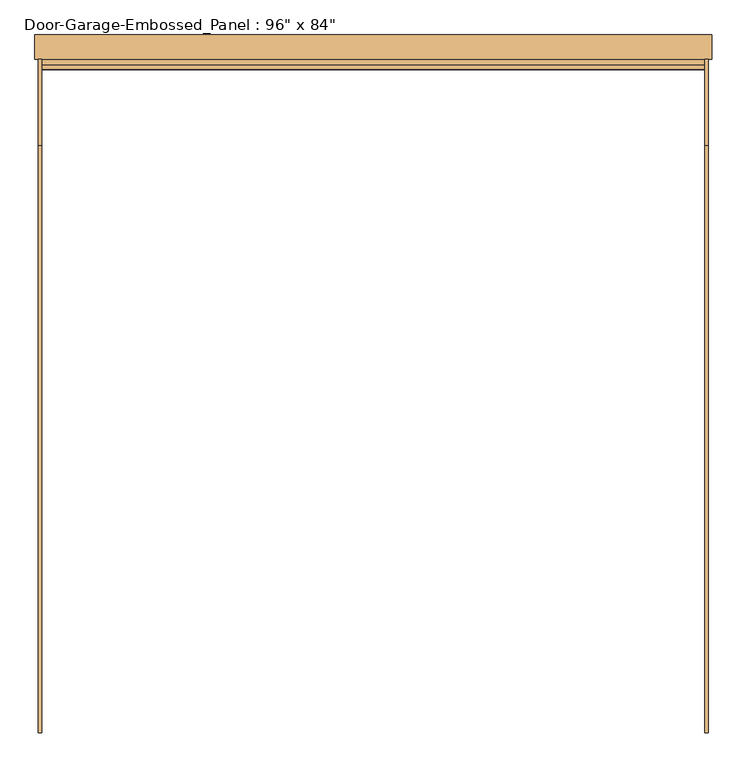
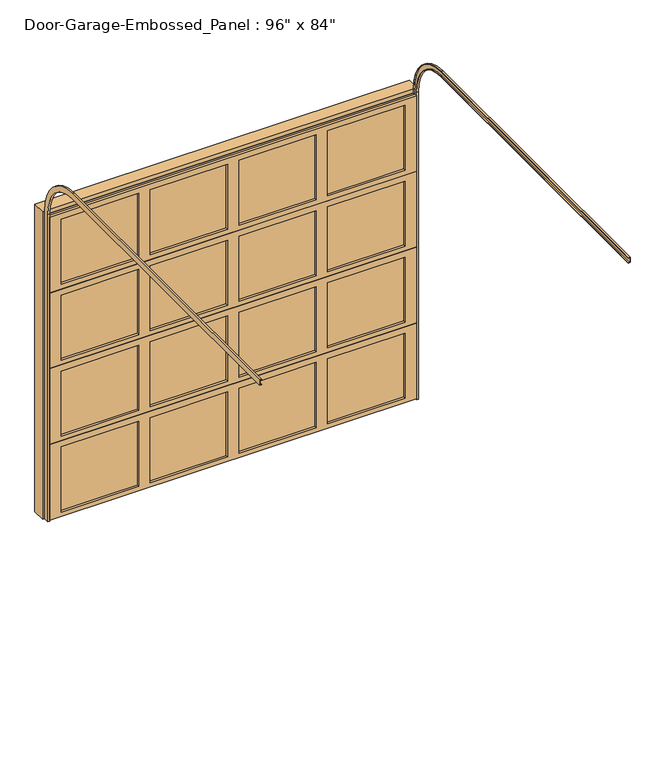
"""IFC4 building model written with IfcOpenShell, lengths in millimetres: door geometry."""

from ifc_helpers import new_model, si_unit, frame, origin, place, context, project, spatial, polyline, circle_curve, outline, extrude, faceted_brep, source, transform, mapped, element, save
from ifc_brep_helpers import plane_surface, cylinder_surface, revolved_surface, advanced_brep


def door_fcf72074(model_context):
    return source(origin(), model_context, "Body", "SolidModel", [
        extrude(outline(polyline([(552.45, -63.5), (552.45, -69.85), (38.1, -69.85), (38.1, -63.5), (552.45, -63.5)])), frame((0.0, 0.0, 1638.3), z_axis=(0.0, 0.0, 1.0), x_axis=(1.0, 0.0, 0.0)), (0.0, 0.0, 1.0), 457.2),
        extrude(outline(polyline([(-38.1, -63.5), (-38.1, -69.85), (-552.45, -69.85), (-552.45, -63.5), (-38.1, -63.5)])), frame((0.0, 0.0, 1638.3), z_axis=(0.0, 0.0, 1.0), x_axis=(1.0, 0.0, 0.0)), (0.0, 0.0, 1.0), 457.2),
        extrude(outline(polyline([(1143.0, -63.5), (1143.0, -69.85), (628.65, -69.85), (628.65, -63.5), (1143.0, -63.5)])), frame((0.0, 0.0, 1638.3), z_axis=(0.0, 0.0, 1.0), x_axis=(1.0, 0.0, 0.0)), (0.0, 0.0, 1.0), 457.2),
        extrude(outline(polyline([(-628.65, -63.5), (-628.65, -69.85), (-1143.0, -69.85), (-1143.0, -63.5), (-628.65, -63.5)])), frame((0.0, 0.0, 1638.3), z_axis=(0.0, 0.0, 1.0), x_axis=(1.0, 0.0, 0.0)), (0.0, 0.0, 1.0), 457.2),
        faceted_brep([(1219.2, -69.85, 2136.775), (1219.2, -85.725, 2136.775), (1219.2, -85.725, 1606.55), (1219.2, -63.5, 1606.55), (1219.2, -63.5, 1600.2), (1219.2, -47.625, 1600.2), (1219.2, -47.625, 2130.425), (1219.2, -69.85, 2130.425), (-1219.2, -85.725, 2136.775), (-1219.2, -69.85, 2136.775), (-1219.2, -69.85, 2130.425), (-1219.2, -47.625, 2130.425), (-1219.2, -47.625, 1600.2), (-1219.2, -63.5, 1600.2), (-1219.2, -63.5, 1606.55), (-1219.2, -85.725, 1606.55), (628.65, -85.725, 2095.5), (1143.0, -85.725, 2095.5), (1143.0, -85.725, 1638.3), (628.65, -85.725, 1638.3), (-552.45, -85.725, 2095.5), (-38.1, -85.725, 2095.5), (-38.1, -85.725, 1638.3), (-552.45, -85.725, 1638.3), (38.1, -85.725, 2095.5), (552.45, -85.725, 2095.5), (552.45, -85.725, 1638.3), (38.1, -85.725, 1638.3), (-1143.0, -85.725, 2095.5), (-628.65, -85.725, 2095.5), (-628.65, -85.725, 1638.3), (-1143.0, -85.725, 1638.3), (1143.0, -47.625, 2095.5), (628.65, -47.625, 2095.5), (628.65, -47.625, 1638.3), (1143.0, -47.625, 1638.3), (-38.1, -47.625, 2095.5), (-552.45, -47.625, 2095.5), (-552.45, -47.625, 1638.3), (-38.1, -47.625, 1638.3), (552.45, -47.625, 2095.5), (38.1, -47.625, 2095.5), (38.1, -47.625, 1638.3), (552.45, -47.625, 1638.3), (-628.65, -47.625, 2095.5), (-1143.0, -47.625, 2095.5), (-1143.0, -47.625, 1638.3), (-628.65, -47.625, 1638.3)], [[[0, 1, 2, 3, 4, 5, 6, 7]], [[8, 9, 10, 11, 12, 13, 14, 15]], [[1, 0, 9, 8]], [[2, 1, 8, 15], [16, 17, 18, 19], [20, 21, 22, 23], [24, 25, 26, 27], [28, 29, 30, 31]], [[3, 2, 15, 14]], [[4, 3, 14, 13]], [[5, 4, 13, 12]], [[6, 5, 12, 11], [32, 33, 34, 35], [36, 37, 38, 39], [40, 41, 42, 43], [44, 45, 46, 47]], [[7, 6, 11, 10]], [[0, 7, 10, 9]], [[16, 33, 32, 17]], [[33, 16, 19, 34]], [[34, 19, 18, 35]], [[17, 32, 35, 18]], [[20, 37, 36, 21]], [[37, 20, 23, 38]], [[38, 23, 22, 39]], [[21, 36, 39, 22]], [[24, 41, 40, 25]], [[41, 24, 27, 42]], [[42, 27, 26, 43]], [[25, 40, 43, 26]], [[28, 45, 44, 29]], [[45, 28, 31, 46]], [[46, 31, 30, 47]], [[29, 44, 47, 30]]]),
        extrude(outline(polyline([(552.45, -63.5), (552.45, -69.85), (38.1, -69.85), (38.1, -63.5), (552.45, -63.5)])), frame((0.0, 0.0, 1104.9), z_axis=(0.0, 0.0, 1.0), x_axis=(1.0, 0.0, 0.0)), (0.0, 0.0, 1.0), 457.2),
        extrude(outline(polyline([(-38.1, -63.5), (-38.1, -69.85), (-552.45, -69.85), (-552.45, -63.5), (-38.1, -63.5)])), frame((0.0, 0.0, 1104.9), z_axis=(0.0, 0.0, 1.0), x_axis=(1.0, 0.0, 0.0)), (0.0, 0.0, 1.0), 457.2),
        extrude(outline(polyline([(1143.0, -63.5), (1143.0, -69.85), (628.65, -69.85), (628.65, -63.5), (1143.0, -63.5)])), frame((0.0, 0.0, 1104.9), z_axis=(0.0, 0.0, 1.0), x_axis=(1.0, 0.0, 0.0)), (0.0, 0.0, 1.0), 457.2),
        extrude(outline(polyline([(-628.65, -63.5), (-628.65, -69.85), (-1143.0, -69.85), (-1143.0, -63.5), (-628.65, -63.5)])), frame((0.0, 0.0, 1104.9), z_axis=(0.0, 0.0, 1.0), x_axis=(1.0, 0.0, 0.0)), (0.0, 0.0, 1.0), 457.2),
        faceted_brep([(1219.2, -69.85, 1603.375), (1219.2, -85.725, 1603.375), (1219.2, -85.725, 1073.15), (1219.2, -63.5, 1073.15), (1219.2, -63.5, 1066.8), (1219.2, -47.625, 1066.8), (1219.2, -47.625, 1597.025), (1219.2, -69.85, 1597.025), (-1219.2, -85.725, 1603.375), (-1219.2, -69.85, 1603.375), (-1219.2, -69.85, 1597.025), (-1219.2, -47.625, 1597.025), (-1219.2, -47.625, 1066.8), (-1219.2, -63.5, 1066.8), (-1219.2, -63.5, 1073.15), (-1219.2, -85.725, 1073.15), (628.65, -85.725, 1562.1), (1143.0, -85.725, 1562.1), (1143.0, -85.725, 1104.9), (628.65, -85.725, 1104.9), (-552.45, -85.725, 1562.1), (-38.1, -85.725, 1562.1), (-38.1, -85.725, 1104.9), (-552.45, -85.725, 1104.9), (38.1, -85.725, 1562.1), (552.45, -85.725, 1562.1), (552.45, -85.725, 1104.9), (38.1, -85.725, 1104.9), (-1143.0, -85.725, 1562.1), (-628.65, -85.725, 1562.1), (-628.65, -85.725, 1104.9), (-1143.0, -85.725, 1104.9), (1143.0, -47.625, 1562.1), (628.65, -47.625, 1562.1), (628.65, -47.625, 1104.9), (1143.0, -47.625, 1104.9), (-38.1, -47.625, 1562.1), (-552.45, -47.625, 1562.1), (-552.45, -47.625, 1104.9), (-38.1, -47.625, 1104.9), (552.45, -47.625, 1562.1), (38.1, -47.625, 1562.1), (38.1, -47.625, 1104.9), (552.45, -47.625, 1104.9), (-628.65, -47.625, 1562.1), (-1143.0, -47.625, 1562.1), (-1143.0, -47.625, 1104.9), (-628.65, -47.625, 1104.9)], [[[0, 1, 2, 3, 4, 5, 6, 7]], [[8, 9, 10, 11, 12, 13, 14, 15]], [[1, 0, 9, 8]], [[2, 1, 8, 15], [16, 17, 18, 19], [20, 21, 22, 23], [24, 25, 26, 27], [28, 29, 30, 31]], [[3, 2, 15, 14]], [[4, 3, 14, 13]], [[5, 4, 13, 12]], [[6, 5, 12, 11], [32, 33, 34, 35], [36, 37, 38, 39], [40, 41, 42, 43], [44, 45, 46, 47]], [[7, 6, 11, 10]], [[0, 7, 10, 9]], [[16, 33, 32, 17]], [[33, 16, 19, 34]], [[34, 19, 18, 35]], [[17, 32, 35, 18]], [[20, 37, 36, 21]], [[37, 20, 23, 38]], [[38, 23, 22, 39]], [[21, 36, 39, 22]], [[24, 41, 40, 25]], [[41, 24, 27, 42]], [[42, 27, 26, 43]], [[25, 40, 43, 26]], [[28, 45, 44, 29]], [[45, 28, 31, 46]], [[46, 31, 30, 47]], [[29, 44, 47, 30]]]),
        extrude(outline(polyline([(552.45, -63.5), (552.45, -69.85), (38.1, -69.85), (38.1, -63.5), (552.45, -63.5)])), frame((0.0, 0.0, 571.5), z_axis=(0.0, 0.0, 1.0), x_axis=(1.0, 0.0, 0.0)), (0.0, 0.0, 1.0), 457.2),
        extrude(outline(polyline([(-38.1, -63.5), (-38.1, -69.85), (-552.45, -69.85), (-552.45, -63.5), (-38.1, -63.5)])), frame((0.0, 0.0, 571.5), z_axis=(0.0, 0.0, 1.0), x_axis=(1.0, 0.0, 0.0)), (0.0, 0.0, 1.0), 457.2),
        extrude(outline(polyline([(1143.0, -63.5), (1143.0, -69.85), (628.65, -69.85), (628.65, -63.5), (1143.0, -63.5)])), frame((0.0, 0.0, 571.5), z_axis=(0.0, 0.0, 1.0), x_axis=(1.0, 0.0, 0.0)), (0.0, 0.0, 1.0), 457.2),
        extrude(outline(polyline([(-628.65, -63.5), (-628.65, -69.85), (-1143.0, -69.85), (-1143.0, -63.5), (-628.65, -63.5)])), frame((0.0, 0.0, 571.5), z_axis=(0.0, 0.0, 1.0), x_axis=(1.0, 0.0, 0.0)), (0.0, 0.0, 1.0), 457.2),
        faceted_brep([(1219.2, -69.85, 1069.975), (1219.2, -85.725, 1069.975), (1219.2, -85.725, 539.75), (1219.2, -63.5, 539.75), (1219.2, -63.5, 533.4), (1219.2, -47.625, 533.4), (1219.2, -47.625, 1063.625), (1219.2, -69.85, 1063.625), (-1219.2, -85.725, 1069.975), (-1219.2, -69.85, 1069.975), (-1219.2, -69.85, 1063.625), (-1219.2, -47.625, 1063.625), (-1219.2, -47.625, 533.4), (-1219.2, -63.5, 533.4), (-1219.2, -63.5, 539.75), (-1219.2, -85.725, 539.75), (628.65, -85.725, 1028.7), (1143.0, -85.725, 1028.7), (1143.0, -85.725, 571.5), (628.65, -85.725, 571.5), (-552.45, -85.725, 1028.7), (-38.1, -85.725, 1028.7), (-38.1, -85.725, 571.5), (-552.45, -85.725, 571.5), (38.1, -85.725, 1028.7), (552.45, -85.725, 1028.7), (552.45, -85.725, 571.5), (38.1, -85.725, 571.5), (-1143.0, -85.725, 1028.7), (-628.65, -85.725, 1028.7), (-628.65, -85.725, 571.5), (-1143.0, -85.725, 571.5), (1143.0, -47.625, 1028.7), (628.65, -47.625, 1028.7), (628.65, -47.625, 571.5), (1143.0, -47.625, 571.5), (-38.1, -47.625, 1028.7), (-552.45, -47.625, 1028.7), (-552.45, -47.625, 571.5), (-38.1, -47.625, 571.5), (552.45, -47.625, 1028.7), (38.1, -47.625, 1028.7), (38.1, -47.625, 571.5), (552.45, -47.625, 571.5), (-628.65, -47.625, 1028.7), (-1143.0, -47.625, 1028.7), (-1143.0, -47.625, 571.5), (-628.65, -47.625, 571.5)], [[[0, 1, 2, 3, 4, 5, 6, 7]], [[8, 9, 10, 11, 12, 13, 14, 15]], [[1, 0, 9, 8]], [[2, 1, 8, 15], [16, 17, 18, 19], [20, 21, 22, 23], [24, 25, 26, 27], [28, 29, 30, 31]], [[3, 2, 15, 14]], [[4, 3, 14, 13]], [[5, 4, 13, 12]], [[6, 5, 12, 11], [32, 33, 34, 35], [36, 37, 38, 39], [40, 41, 42, 43], [44, 45, 46, 47]], [[7, 6, 11, 10]], [[0, 7, 10, 9]], [[16, 33, 32, 17]], [[33, 16, 19, 34]], [[34, 19, 18, 35]], [[17, 32, 35, 18]], [[20, 37, 36, 21]], [[37, 20, 23, 38]], [[38, 23, 22, 39]], [[21, 36, 39, 22]], [[24, 41, 40, 25]], [[41, 24, 27, 42]], [[42, 27, 26, 43]], [[25, 40, 43, 26]], [[28, 45, 44, 29]], [[45, 28, 31, 46]], [[46, 31, 30, 47]], [[29, 44, 47, 30]]]),
        extrude(outline(polyline([(552.45, -63.5), (552.45, -69.85), (38.1, -69.85), (38.1, -63.5), (552.45, -63.5)])), frame((0.0, 0.0, 38.1), z_axis=(0.0, 0.0, 1.0), x_axis=(1.0, 0.0, 0.0)), (0.0, 0.0, 1.0), 457.2),
        extrude(outline(polyline([(-38.1, -63.5), (-38.1, -69.85), (-552.45, -69.85), (-552.45, -63.5), (-38.1, -63.5)])), frame((0.0, 0.0, 38.1), z_axis=(0.0, 0.0, 1.0), x_axis=(1.0, 0.0, 0.0)), (0.0, 0.0, 1.0), 457.2),
        extrude(outline(polyline([(1143.0, -63.5), (1143.0, -69.85), (628.65, -69.85), (628.65, -63.5), (1143.0, -63.5)])), frame((0.0, 0.0, 38.1), z_axis=(0.0, 0.0, 1.0), x_axis=(1.0, 0.0, 0.0)), (0.0, 0.0, 1.0), 457.2),
        extrude(outline(polyline([(-628.65, -63.5), (-628.65, -69.85), (-1143.0, -69.85), (-1143.0, -63.5), (-628.65, -63.5)])), frame((0.0, 0.0, 38.1), z_axis=(0.0, 0.0, 1.0), x_axis=(1.0, 0.0, 0.0)), (0.0, 0.0, 1.0), 457.2),
        faceted_brep([(1219.2, -69.85, 536.575), (1219.2, -85.725, 536.575), (1219.2, -85.725, 6.35), (1219.2, -63.5, 6.35), (1219.2, -63.5, 0.0), (1219.2, -47.625, 0.0), (1219.2, -47.625, 530.225), (1219.2, -69.85, 530.225), (-1219.2, -85.725, 536.575), (-1219.2, -69.85, 536.575), (-1219.2, -69.85, 530.225), (-1219.2, -47.625, 530.225), (-1219.2, -47.625, 0.0), (-1219.2, -63.5, 0.0), (-1219.2, -63.5, 6.35), (-1219.2, -85.725, 6.35), (628.65, -85.725, 495.3), (1143.0, -85.725, 495.3), (1143.0, -85.725, 38.1), (628.65, -85.725, 38.1), (-552.45, -85.725, 495.3), (-38.1, -85.725, 495.3), (-38.1, -85.725, 38.1), (-552.45, -85.725, 38.1), (38.1, -85.725, 495.3), (552.45, -85.725, 495.3), (552.45, -85.725, 38.1), (38.1, -85.725, 38.1), (-1143.0, -85.725, 495.3), (-628.65, -85.725, 495.3), (-628.65, -85.725, 38.1), (-1143.0, -85.725, 38.1), (1143.0, -47.625, 495.3), (628.65, -47.625, 495.3), (628.65, -47.625, 38.1), (1143.0, -47.625, 38.1), (-38.1, -47.625, 495.3), (-552.45, -47.625, 495.3), (-552.45, -47.625, 38.1), (-38.1, -47.625, 38.1), (552.45, -47.625, 495.3), (38.1, -47.625, 495.3), (38.1, -47.625, 38.1), (552.45, -47.625, 38.1), (-628.65, -47.625, 495.3), (-1143.0, -47.625, 495.3), (-1143.0, -47.625, 38.1), (-628.65, -47.625, 38.1)], [[[0, 1, 2, 3, 4, 5, 6, 7]], [[8, 9, 10, 11, 12, 13, 14, 15]], [[1, 0, 9, 8]], [[2, 1, 8, 15], [16, 17, 18, 19], [20, 21, 22, 23], [24, 25, 26, 27], [28, 29, 30, 31]], [[3, 2, 15, 14]], [[4, 3, 14, 13]], [[5, 4, 13, 12]], [[6, 5, 12, 11], [32, 33, 34, 35], [36, 37, 38, 39], [40, 41, 42, 43], [44, 45, 46, 47]], [[7, 6, 11, 10]], [[0, 7, 10, 9]], [[16, 33, 32, 17]], [[33, 16, 19, 34]], [[34, 19, 18, 35]], [[17, 32, 35, 18]], [[20, 37, 36, 21]], [[37, 20, 23, 38]], [[38, 23, 22, 39]], [[21, 36, 39, 22]], [[24, 41, 40, 25]], [[41, 24, 27, 42]], [[42, 27, 26, 43]], [[25, 40, 43, 26]], [[28, 45, 44, 29]], [[45, 28, 31, 46]], [[46, 31, 30, 47]], [[29, 44, 47, 30]]]),
        advanced_brep(
        [(1231.9, -85.725, 0.0), (1219.2, -85.725, 0.0), (1219.2, -82.55, 0.0), (1228.725, -82.55, 0.0), (1228.725, -50.8, 0.0), (1219.2, -50.8, 0.0), (1219.2, -47.625, 0.0), (1231.9, -47.625, 0.0), (1231.9, -85.725, 2159.0), (1219.2, -85.725, 2159.0), (1219.2, -365.125, 2438.4), (1219.2, -2524.125, 2438.4), (1219.2, -2524.125, 2441.575), (1219.2, -365.125, 2441.575), (1219.2, -82.55, 2159.0), (1228.725, -82.55, 2159.0), (1228.725, -365.125, 2441.575), (1228.725, -2524.125, 2441.575), (1228.725, -2524.125, 2473.325), (1228.725, -365.125, 2473.325), (1228.725, -50.8, 2159.0), (1219.2, -50.8, 2159.0), (1219.2, -365.125, 2473.325), (1219.2, -2524.125, 2473.325), (1219.2, -2524.125, 2476.5), (1219.2, -365.125, 2476.5), (1219.2, -47.625, 2159.0), (1231.9, -47.625, 2159.0), (1231.9, -365.125, 2476.5), (1231.9, -2524.125, 2476.5), (1231.9, -2524.125, 2438.4), (1231.9, -365.125, 2438.4)],
        [
            (0, 1),
            (1, 2),
            (2, 3),
            (3, 4),
            (4, 5),
            (5, 6),
            (6, 7),
            (7, 0),
            (0, 8),
            (8, 9),
            (9, 1),
            (9, 10, circle_curve(frame((1219.2, -365.125, 2159.0), z_axis=(1.0, 0.0, 0.0), x_axis=(0.0, 1.0, 0.0)), 279.4)),
            (10, 11),
            (11, 12),
            (12, 13),
            (13, 14, circle_curve(frame((1219.2, -365.125, 2159.0), z_axis=(-1.0, 0.0, 0.0), x_axis=(0.0, 1.0, 0.0)), 282.575)),
            (14, 2),
            (14, 15),
            (15, 3),
            (15, 16, circle_curve(frame((1228.725, -365.125, 2159.0), z_axis=(1.0, 0.0, 0.0), x_axis=(0.0, 1.0, 0.0)), 282.575)),
            (16, 17),
            (17, 18),
            (18, 19),
            (19, 20, circle_curve(frame((1228.725, -365.125, 2159.0), z_axis=(-1.0, 0.0, 0.0), x_axis=(0.0, 1.0, 0.0)), 314.325)),
            (20, 4),
            (20, 21),
            (21, 5),
            (21, 22, circle_curve(frame((1219.2, -365.125, 2159.0), z_axis=(1.0, 0.0, 0.0), x_axis=(0.0, 1.0, 0.0)), 314.325)),
            (22, 23),
            (23, 24),
            (24, 25),
            (25, 26, circle_curve(frame((1219.2, -365.125, 2159.0), z_axis=(-1.0, 0.0, 0.0), x_axis=(0.0, 1.0, 0.0)), 317.5)),
            (26, 6),
            (26, 27),
            (27, 7),
            (27, 28, circle_curve(frame((1231.9, -365.125, 2159.0), z_axis=(1.0, 0.0, 0.0), x_axis=(0.0, 1.0, 0.0)), 317.5)),
            (28, 29),
            (29, 30),
            (30, 31),
            (31, 8, circle_curve(frame((1231.9, -365.125, 2159.0), z_axis=(-1.0, 0.0, 0.0), x_axis=(0.0, 1.0, 0.0)), 279.4)),
            (31, 10),
            (13, 16),
            (19, 22),
            (25, 28),
            (29, 24),
            (23, 18),
            (17, 12),
            (11, 30),
        ],
        [
            plane_surface(frame((0.0, -85.725, 0.0), z_axis=(0.0, 0.0, -1.0), x_axis=(1.0, 0.0, 0.0))),
            plane_surface(frame((1231.9, -85.725, 0.0), z_axis=(0.0, -1.0, 0.0), x_axis=(0.0, 0.0, 1.0))),
            plane_surface(frame((1219.2, -85.725, 0.0), z_axis=(-1.0, 0.0, 0.0), x_axis=(0.0, 0.0, 1.0))),
            plane_surface(frame((1219.2, -82.55, 0.0), z_axis=(0.0, 1.0, 0.0), x_axis=(0.0, 0.0, 1.0))),
            plane_surface(frame((1228.725, -82.55, 0.0), z_axis=(-1.0, 0.0, 0.0), x_axis=(0.0, 0.0, 1.0))),
            plane_surface(frame((1228.725, -50.8, 0.0), z_axis=(0.0, -1.0, 0.0), x_axis=(0.0, 0.0, 1.0))),
            plane_surface(frame((1219.2, -50.8, 0.0), z_axis=(-1.0, 0.0, 0.0), x_axis=(0.0, 0.0, 1.0))),
            plane_surface(frame((1219.2, -47.625, 0.0), z_axis=(0.0, 1.0, 0.0), x_axis=(0.0, 0.0, 1.0))),
            plane_surface(frame((1231.9, -47.625, 0.0), z_axis=(1.0, 0.0, 0.0), x_axis=(0.0, 0.0, 1.0))),
            revolved_surface(polyline([(1231.9, -85.72500000000002, 2159.0), (1219.2, -85.72500000000002, 2159.0)]), (0.0, -365.125, 2159.0), (1.0, 0.0, 0.0)),
            cylinder_surface(frame((0.0, -365.125, 2159.0), z_axis=(1.0, 0.0, 0.0), x_axis=(0.0, 1.0, 0.0)), 282.575),
            revolved_surface(polyline([(1228.725, -50.80000000000001, 2159.0), (1219.2, -50.80000000000001, 2159.0)]), (0.0, -365.125, 2159.0), (1.0, 0.0, 0.0)),
            cylinder_surface(frame((0.0, -365.125, 2159.0), z_axis=(1.0, 0.0, 0.0), x_axis=(0.0, 1.0, 0.0)), 317.5),
            plane_surface(frame((0.0, -2524.125, 2438.4), z_axis=(0.0, -1.0, 0.0), x_axis=(1.0, 0.0, 0.0))),
            plane_surface(frame((1231.9, -365.125, 2438.4), z_axis=(0.0, 0.0, -1.0), x_axis=(0.0, -1.0, 0.0))),
            plane_surface(frame((1219.2, -365.125, 2441.575), z_axis=(0.0, 0.0, 1.0), x_axis=(0.0, -1.0, 0.0))),
            plane_surface(frame((1228.725, -365.125, 2473.325), z_axis=(0.0, 0.0, -1.0), x_axis=(0.0, -1.0, 0.0))),
            plane_surface(frame((1219.2, -365.125, 2476.5), z_axis=(0.0, 0.0, 1.0), x_axis=(0.0, -1.0, 0.0))),
        ],
        [
            (0, [[1, 2, 3, 4, 5, 6, 7, 8]]),
            (1, [[-1, 9, 10, 11]]),
            (2, [[-2, -11, 12, 13, 14, 15, 16, 17]]),
            (3, [[-3, -17, 18, 19]]),
            (4, [[-4, -19, 20, 21, 22, 23, 24, 25]]),
            (5, [[-5, -25, 26, 27]]),
            (6, [[-6, -27, 28, 29, 30, 31, 32, 33]]),
            (7, [[-7, -33, 34, 35]]),
            (8, [[-8, -35, 36, 37, 38, 39, 40, -9]]),
            (9, [[-12, -10, -40, 41]]),
            (10, [[-20, -18, -16, 42]]),
            (11, [[-28, -26, -24, 43]]),
            (12, [[-36, -34, -32, 44]]),
            (13, [[-38, 45, -30, 46, -22, 47, -14, 48]]),
            (14, [[-41, -39, -48, -13]]),
            (15, [[-42, -15, -47, -21]]),
            (16, [[-43, -23, -46, -29]]),
            (17, [[-44, -31, -45, -37]]),
        ],
    ),
        advanced_brep(
        [(-1231.9, -85.725, 0.0), (-1231.9, -47.625, 0.0), (-1219.2, -47.625, 0.0), (-1219.2, -50.8, 0.0), (-1228.725, -50.8, 0.0), (-1228.725, -82.55, 0.0), (-1219.2, -82.55, 0.0), (-1219.2, -85.725, 0.0), (-1231.9, -85.725, 2159.0), (-1231.9, -365.125, 2438.4), (-1231.9, -2524.125, 2438.4), (-1231.9, -2524.125, 2476.5), (-1231.9, -365.125, 2476.5), (-1231.9, -47.625, 2159.0), (-1219.2, -47.625, 2159.0), (-1219.2, -365.125, 2476.5), (-1219.2, -2524.125, 2476.5), (-1219.2, -2524.125, 2473.325), (-1219.2, -365.125, 2473.325), (-1219.2, -50.8, 2159.0), (-1228.725, -50.8, 2159.0), (-1228.725, -365.125, 2473.325), (-1228.725, -2524.125, 2473.325), (-1228.725, -2524.125, 2441.575), (-1228.725, -365.125, 2441.575), (-1228.725, -82.55, 2159.0), (-1219.2, -82.55, 2159.0), (-1219.2, -365.125, 2441.575), (-1219.2, -2524.125, 2441.575), (-1219.2, -2524.125, 2438.4), (-1219.2, -365.125, 2438.4), (-1219.2, -85.725, 2159.0)],
        [
            (0, 1),
            (1, 2),
            (2, 3),
            (3, 4),
            (4, 5),
            (5, 6),
            (6, 7),
            (7, 0),
            (0, 8),
            (8, 9, circle_curve(frame((-1231.9, -365.125, 2159.0), z_axis=(1.0, 0.0, 0.0), x_axis=(0.0, 1.0, 0.0)), 279.4)),
            (9, 10),
            (10, 11),
            (11, 12),
            (12, 13, circle_curve(frame((-1231.9, -365.125, 2159.0), z_axis=(-1.0, 0.0, 0.0), x_axis=(0.0, 1.0, 0.0)), 317.5)),
            (13, 1),
            (13, 14),
            (14, 2),
            (14, 15, circle_curve(frame((-1219.2, -365.125, 2159.0), z_axis=(1.0, 0.0, 0.0), x_axis=(0.0, 1.0, 0.0)), 317.5)),
            (15, 16),
            (16, 17),
            (17, 18),
            (18, 19, circle_curve(frame((-1219.2, -365.125, 2159.0), z_axis=(-1.0, 0.0, 0.0), x_axis=(0.0, 1.0, 0.0)), 314.325)),
            (19, 3),
            (19, 20),
            (20, 4),
            (20, 21, circle_curve(frame((-1228.725, -365.125, 2159.0), z_axis=(1.0, 0.0, 0.0), x_axis=(0.0, 1.0, 0.0)), 314.325)),
            (21, 22),
            (22, 23),
            (23, 24),
            (24, 25, circle_curve(frame((-1228.725, -365.125, 2159.0), z_axis=(-1.0, 0.0, 0.0), x_axis=(0.0, 1.0, 0.0)), 282.575)),
            (25, 5),
            (25, 26),
            (26, 6),
            (26, 27, circle_curve(frame((-1219.2, -365.125, 2159.0), z_axis=(1.0, 0.0, 0.0), x_axis=(0.0, 1.0, 0.0)), 282.575)),
            (27, 28),
            (28, 29),
            (29, 30),
            (30, 31, circle_curve(frame((-1219.2, -365.125, 2159.0), z_axis=(-1.0, 0.0, 0.0), x_axis=(0.0, 1.0, 0.0)), 279.4)),
            (31, 7),
            (31, 8),
            (12, 15),
            (18, 21),
            (24, 27),
            (30, 9),
            (10, 29),
            (28, 23),
            (22, 17),
            (16, 11),
        ],
        [
            plane_surface(frame((0.0, -85.725, 0.0), z_axis=(0.0, 0.0, -1.0), x_axis=(1.0, 0.0, 0.0))),
            plane_surface(frame((-1231.9, -85.725, 0.0), z_axis=(-1.0, 0.0, 0.0), x_axis=(0.0, 0.0, 1.0))),
            plane_surface(frame((-1231.9, -47.625, 0.0), z_axis=(0.0, 1.0, 0.0), x_axis=(0.0, 0.0, 1.0))),
            plane_surface(frame((-1219.2, -47.625, 0.0), z_axis=(1.0, 0.0, 0.0), x_axis=(0.0, 0.0, 1.0))),
            plane_surface(frame((-1219.2, -50.8, 0.0), z_axis=(0.0, -1.0, 0.0), x_axis=(0.0, 0.0, 1.0))),
            plane_surface(frame((-1228.725, -50.8, 0.0), z_axis=(1.0, 0.0, 0.0), x_axis=(0.0, 0.0, 1.0))),
            plane_surface(frame((-1228.725, -82.55, 0.0), z_axis=(0.0, 1.0, 0.0), x_axis=(0.0, 0.0, 1.0))),
            plane_surface(frame((-1219.2, -82.55, 0.0), z_axis=(1.0, 0.0, 0.0), x_axis=(0.0, 0.0, 1.0))),
            plane_surface(frame((-1219.2, -85.725, 0.0), z_axis=(0.0, -1.0, 0.0), x_axis=(0.0, 0.0, 1.0))),
            cylinder_surface(frame((0.0, -365.125, 2159.0), z_axis=(1.0, 0.0, 0.0), x_axis=(0.0, 1.0, 0.0)), 317.5),
            revolved_surface(polyline([(-1219.2, -50.80000000000001, 2159.0), (-1228.725, -50.80000000000001, 2159.0)]), (0.0, -365.125, 2159.0), (1.0, 0.0, 0.0)),
            cylinder_surface(frame((0.0, -365.125, 2159.0), z_axis=(1.0, 0.0, 0.0), x_axis=(0.0, 1.0, 0.0)), 282.575),
            revolved_surface(polyline([(-1219.2, -85.72500000000002, 2159.0), (-1231.9, -85.72500000000002, 2159.0)]), (0.0, -365.125, 2159.0), (1.0, 0.0, 0.0)),
            plane_surface(frame((0.0, -2524.125, 2438.4), z_axis=(0.0, -1.0, 0.0), x_axis=(1.0, 0.0, 0.0))),
            plane_surface(frame((-1231.9, -365.125, 2476.5), z_axis=(0.0, 0.0, 1.0), x_axis=(0.0, -1.0, 0.0))),
            plane_surface(frame((-1219.2, -365.125, 2473.325), z_axis=(0.0, 0.0, -1.0), x_axis=(0.0, -1.0, 0.0))),
            plane_surface(frame((-1228.725, -365.125, 2441.575), z_axis=(0.0, 0.0, 1.0), x_axis=(0.0, -1.0, 0.0))),
            plane_surface(frame((-1219.2, -365.125, 2438.4), z_axis=(0.0, 0.0, -1.0), x_axis=(0.0, -1.0, 0.0))),
        ],
        [
            (0, [[1, 2, 3, 4, 5, 6, 7, 8]]),
            (1, [[-1, 9, 10, 11, 12, 13, 14, 15]]),
            (2, [[-2, -15, 16, 17]]),
            (3, [[-3, -17, 18, 19, 20, 21, 22, 23]]),
            (4, [[-4, -23, 24, 25]]),
            (5, [[-5, -25, 26, 27, 28, 29, 30, 31]]),
            (6, [[-6, -31, 32, 33]]),
            (7, [[-7, -33, 34, 35, 36, 37, 38, 39]]),
            (8, [[-8, -39, 40, -9]]),
            (9, [[-18, -16, -14, 41]]),
            (10, [[-26, -24, -22, 42]]),
            (11, [[-34, -32, -30, 43]]),
            (12, [[-10, -40, -38, 44]]),
            (13, [[45, -36, 46, -28, 47, -20, 48, -12]]),
            (14, [[-41, -13, -48, -19]]),
            (15, [[-42, -21, -47, -27]]),
            (16, [[-43, -29, -46, -35]]),
            (17, [[-44, -37, -45, -11]]),
        ],
    ),
        extrude(outline(polyline([(0.0, 1219.2), (0.0, 1244.6), (2159.0, 1244.6), (2159.0, -1244.6), (0.0, -1244.6), (0.0, -1219.2), (2133.6, -1219.2), (2133.6, 1219.2), (0.0, 1219.2)])), frame((0.0, -47.625, 0.0), z_axis=(0.0, 1.0, 0.0), x_axis=(0.0, 0.0, 1.0)), (0.0, 0.0, 1.0), 88.9),
    ])


if __name__ == "__main__":
    model = new_model("IFC4")
    model_context = context("Model", 3, world=origin())
    ifc_project = project(units=[si_unit("LENGTHUNIT", "METRE", prefix="MILLI")], contexts=[model_context])
    site = spatial("IfcSite", under=ifc_project)
    building = spatial("IfcBuilding", under=site)
    placement = place(None, origin())
    door_shape = door_fcf72074(model_context)
    element("IfcDoor", 1, ObjectType="Door-Garage-Embossed_Panel : 96\" x 84\"", at=placement, inside=building, context=model_context, shape_type="MappedRepresentation", body=[
        mapped(door_shape, transform((0.0, 0.0, 0.0), x_axis=(1.0, 0.0, 0.0), y_axis=(0.0, 1.0, 0.0), z_axis=(0.0, 0.0, 1.0))),
    ])
    save(model, "model.ifc")
